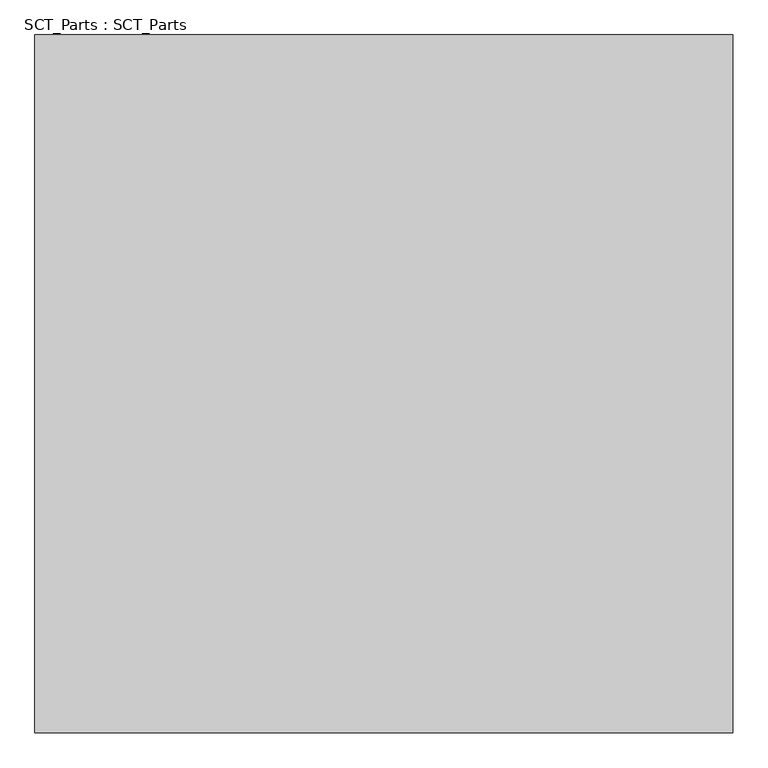
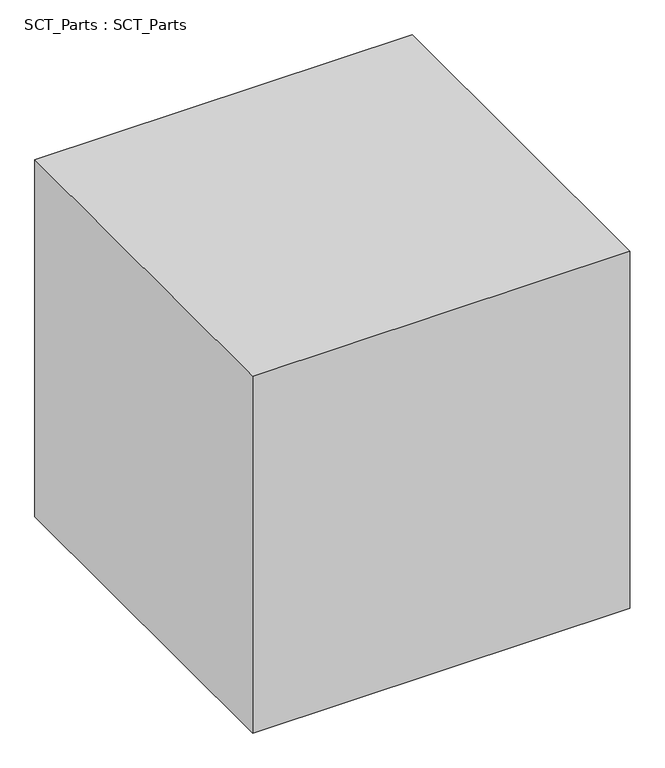
"""IFC4 building model written with IfcOpenShell, lengths in millimetres: proxy geometry, SCT_Parts : SCT_Parts."""

from ifc_helpers import new_model, si_unit, frame, origin, place, context, project, spatial, polyline, outline, extrude, source, transform, mapped, element, save


def sct_parts_sct_parts_f22ce75e(model_context):
    return source(origin(), model_context, "Body", "SweptSolid", [
        extrude(outline(polyline([(3000.0, 3000.0), (3000.0, 0.0), (0.0, 0.0), (0.0, 3000.0), (3000.0, 3000.0)])), frame((0.0, 0.0, 4000.0), z_axis=(0.0, 0.0, 1.0), x_axis=(1.0, 0.0, 0.0)), (0.0, 0.0, 1.0), 3000.0),
    ])


if __name__ == "__main__":
    model = new_model("IFC4")
    model_context = context("Model", 3, world=origin())
    ifc_project = project(units=[si_unit("LENGTHUNIT", "METRE", prefix="MILLI")], contexts=[model_context])
    site = spatial("IfcSite", under=ifc_project)
    building = spatial("IfcBuilding", under=site)
    placement = place(None, origin())
    sct_parts_sct_parts_shape = sct_parts_sct_parts_f22ce75e(model_context)
    element("IfcBuildingElementProxy", 1, Name="SCT_Parts : SCT_Parts", ObjectType="SCT_Parts : SCT_Parts", at=placement, inside=building, context=model_context, shape_type="MappedRepresentation", body=[
        mapped(sct_parts_sct_parts_shape, transform((0.0, 0.0, 0.0), x_axis=(1.0, 0.0, 0.0), y_axis=(0.0, 1.0, 0.0), z_axis=(0.0, 0.0, 1.0))),
    ])
    save(model, "model.ifc")
